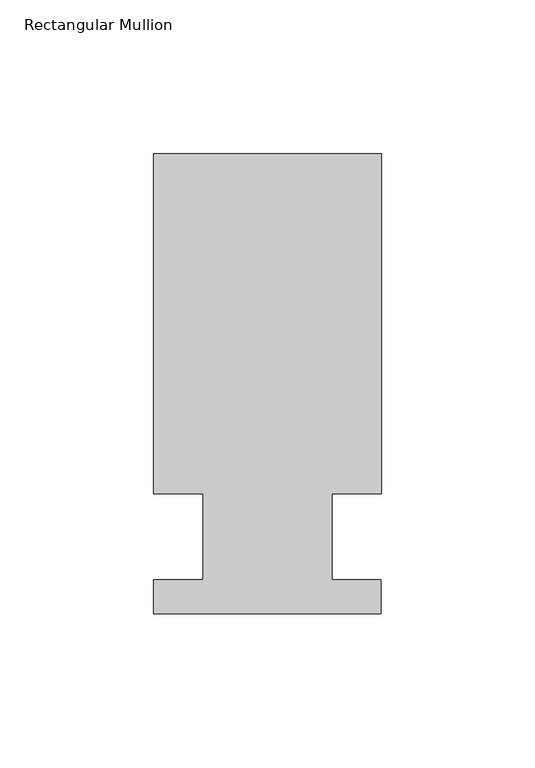
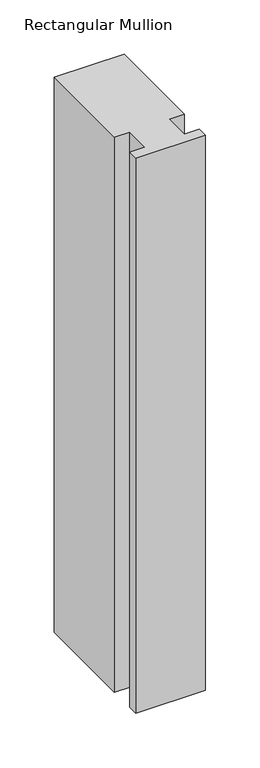
"""IFC4 building model written with IfcOpenShell, lengths in millimetres: member geometry, Rectangular Mullion."""

from ifc_helpers import new_model, si_unit, frame, origin, place, context, project, spatial, polyline, outline, extrude, source, transform, mapped, element, save


def rectangular_mullion_4d5ec3ff(model_context):
    return source(origin(), model_context, "Body", "SweptSolid", [
        extrude(outline(polyline([(-20.9800745, 13.9998907), (-37.0, 13.9998907), (-37.0, 124.5), (37.0, 124.5), (37.0, 13.9998907), (20.9800745, 13.9998907), (20.9800745, -14.0), (36.9800745, -14.0), (36.9800745, -25.0), (-37.0, -25.0), (-37.0, -14.0), (-20.9800745, -14.0), (-20.9800745, 13.9998907)])), frame((0.0, 0.0, -623.7213025), z_axis=(0.0, 0.0, 1.0), x_axis=(1.0, 0.0, 0.0)), (0.0, 0.0, 1.0), 623.7213025),
    ])


if __name__ == "__main__":
    model = new_model("IFC4")
    model_context = context("Model", 3, world=origin())
    ifc_project = project(units=[si_unit("LENGTHUNIT", "METRE", prefix="MILLI")], contexts=[model_context])
    site = spatial("IfcSite", under=ifc_project)
    building = spatial("IfcBuilding", under=site)
    placement = place(None, origin())
    rectangular_mullion_shape = rectangular_mullion_4d5ec3ff(model_context)
    element("IfcMember", 1, ObjectType="Rectangular Mullion", at=placement, inside=building, context=model_context, shape_type="MappedRepresentation", body=[
        mapped(rectangular_mullion_shape, transform((0.0, 0.0, 0.0), x_axis=(1.0, 0.0, 0.0), y_axis=(0.0, 1.0, 0.0), z_axis=(0.0, 0.0, 1.0))),
    ])
    save(model, "model.ifc")
